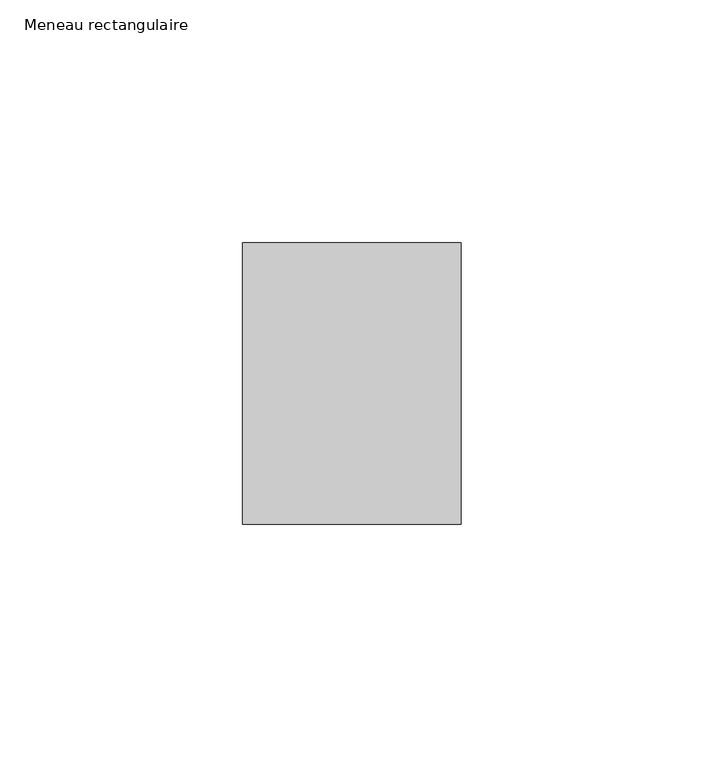
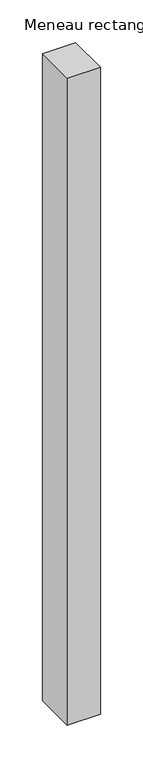
"""IFC4 building model written with IfcOpenShell, lengths in millimetres: member geometry, Meneau rectangulaire."""

from ifc_helpers import new_model, si_unit, frame, origin, place, context, project, spatial, polyline, outline, extrude, source, transform, mapped, element, save


def meneau_rectangulaire_d8c8ff9f(model_context):
    return source(origin(), model_context, "Body", "SweptSolid", [
        extrude(outline(polyline([(-45.0, 29.0), (0.0, 29.0), (0.0, -29.0), (-45.0, -29.0), (-45.0, 29.0)])), frame((0.0, 0.0, -926.5040491), z_axis=(0.0, 0.0, 1.0), x_axis=(1.0, 0.0, 0.0)), (0.0, 0.0, 1.0), 926.5040491),
    ])


if __name__ == "__main__":
    model = new_model("IFC4")
    model_context = context("Model", 3, world=origin())
    ifc_project = project(units=[si_unit("LENGTHUNIT", "METRE", prefix="MILLI")], contexts=[model_context])
    site = spatial("IfcSite", under=ifc_project)
    building = spatial("IfcBuilding", under=site)
    placement = place(None, origin())
    meneau_rectangulaire_shape = meneau_rectangulaire_d8c8ff9f(model_context)
    element("IfcMember", 1, ObjectType="Meneau rectangulaire", at=placement, inside=building, context=model_context, shape_type="MappedRepresentation", body=[
        mapped(meneau_rectangulaire_shape, transform((0.0, 0.0, 0.0), x_axis=(1.0, 0.0, 0.0), y_axis=(0.0, 1.0, 0.0), z_axis=(0.0, 0.0, 1.0))),
    ])
    save(model, "model.ifc")
